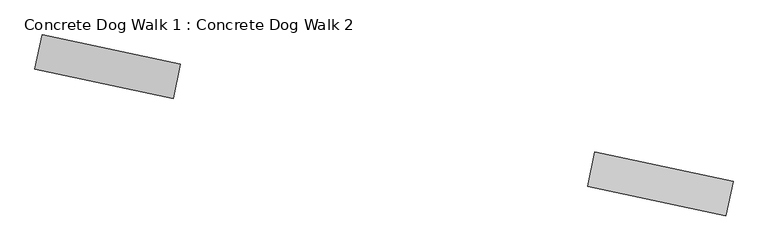
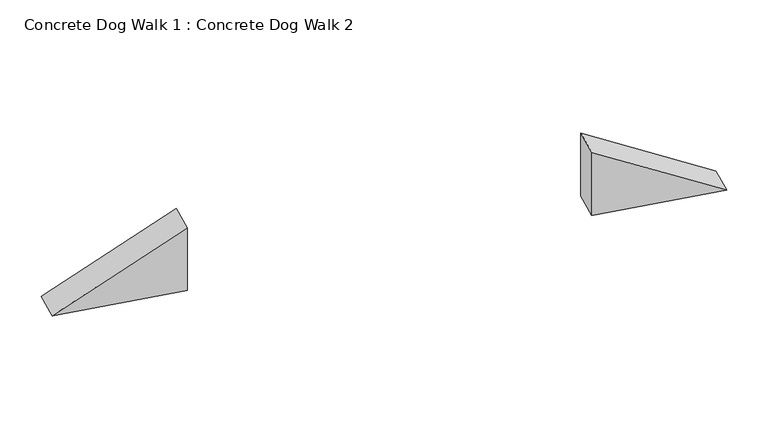
"""IFC4 building model written with IfcOpenShell, lengths in millimetres: proxy geometry, Concrete Dog Walk 1 : Concrete Dog Walk 2."""

from ifc_helpers import new_model, si_unit, frame, origin, place, context, project, spatial, polyline, outline, extrude, source, transform, mapped, element, save


def concrete_dog_walk_1_concrete_dog_walk_2_6bb79aca(model_context):
    return source(origin(), model_context, "Body", "SweptSolid", [
        extrude(outline(polyline([(1386.5701569, 0.0), (1072.0327656, -580.6844147), (0.0, 0.0), (1386.5701569, 0.0)])), frame((141259.1877455, -2540.3484371, 0.0), z_axis=(0.2079116908177744, 0.9781476007338025, 0.0), x_axis=(-0.8600773274124501, 0.18281507948514614, 0.47628314854075704)), (0.0, 0.0, 1.0), 304.8),
        extrude(outline(polyline([(5360.163828, -2903.4220735), (4288.1310624, -2322.7376588), (4602.6684537, -1742.0532441), (5360.163828, -2903.4220735)])), frame((141259.1877455, -2540.3484371, 0.0), z_axis=(0.2079116908177744, 0.9781476007338025, 0.0), x_axis=(-0.8600773274124501, 0.18281507948514614, 0.47628314854075704)), (0.0, 0.0, 1.0), 304.8),
    ])


if __name__ == "__main__":
    model = new_model("IFC4")
    model_context = context("Model", 3, world=origin())
    ifc_project = project(units=[si_unit("LENGTHUNIT", "METRE", prefix="MILLI")], contexts=[model_context])
    site = spatial("IfcSite", under=ifc_project)
    building = spatial("IfcBuilding", under=site)
    placement = place(None, origin())
    concrete_dog_walk_1_concrete_dog_walk_2_shape = concrete_dog_walk_1_concrete_dog_walk_2_6bb79aca(model_context)
    element("IfcBuildingElementProxy", 1, Name="Concrete Dog Walk 1 : Concrete Dog Walk 2", ObjectType="Concrete Dog Walk 1 : Concrete Dog Walk 2", at=placement, inside=building, context=model_context, shape_type="MappedRepresentation", body=[
        mapped(concrete_dog_walk_1_concrete_dog_walk_2_shape, transform((0.0, 0.0, 0.0), x_axis=(1.0, 0.0, 0.0), y_axis=(0.0, 1.0, 0.0), z_axis=(0.0, 0.0, 1.0))),
    ])
    save(model, "model.ifc")
